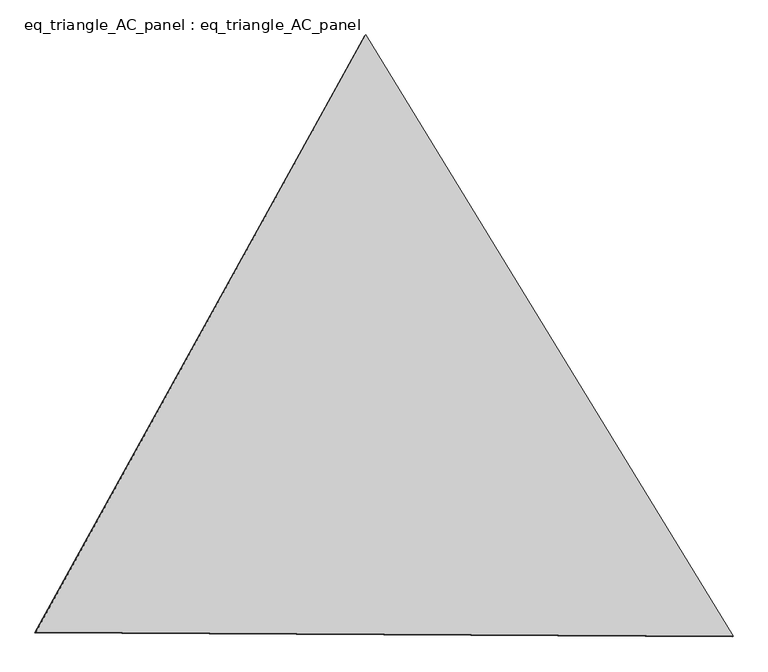
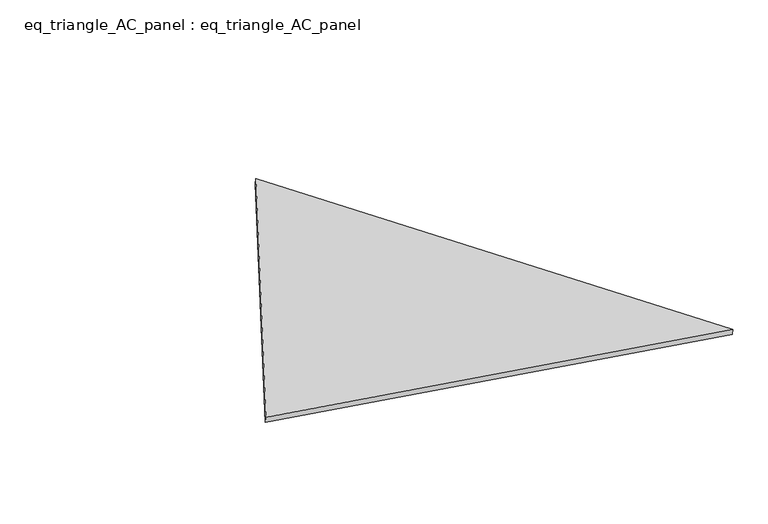
"""IFC4 building model written with IfcOpenShell, lengths in millimetres: proxy geometry, eq_triangle_AC_panel : eq_triangle_AC_panel."""

from ifc_helpers import new_model, si_unit, frame, origin, place, context, project, spatial, polyline, outline, extrude, source, transform, mapped, element, save


def eq_triangle_ac_panel_eq_triangle_ac_panel_4437dc7d(model_context):
    return source(origin(), model_context, "Body", "SweptSolid", [
        extrude(outline(polyline([(-2032.8306629, 1173.1700195), (2091.2842302, 1173.1700195), (-58.4535674, -2346.3400392), (-2032.8306629, 1173.1700195)])), frame((-6.3631761, 524.2531996, 46.6143561), z_axis=(0.14526328518052922, 0.08386570281792641, 0.9858321976226054), x_axis=(0.5211103640698697, -0.8534790669542482, -0.00417980021939009)), (0.0, 0.0, 1.0), 43.8306294),
    ])


if __name__ == "__main__":
    model = new_model("IFC4")
    model_context = context("Model", 3, world=origin())
    ifc_project = project(units=[si_unit("LENGTHUNIT", "METRE", prefix="MILLI")], contexts=[model_context])
    site = spatial("IfcSite", under=ifc_project)
    building = spatial("IfcBuilding", under=site)
    placement = place(None, origin())
    eq_triangle_ac_panel_eq_triangle_ac_panel_shape = eq_triangle_ac_panel_eq_triangle_ac_panel_4437dc7d(model_context)
    element("IfcBuildingElementProxy", 1, Name="eq_triangle_AC_panel : eq_triangle_AC_panel", ObjectType="eq_triangle_AC_panel : eq_triangle_AC_panel", at=placement, inside=building, context=model_context, shape_type="MappedRepresentation", body=[
        mapped(eq_triangle_ac_panel_eq_triangle_ac_panel_shape, transform((0.0, 0.0, 0.0), x_axis=(1.0, 0.0, 0.0), y_axis=(0.0, 1.0, 0.0), z_axis=(0.0, 0.0, 1.0))),
    ])
    save(model, "model.ifc")
